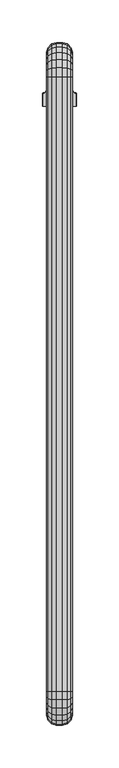
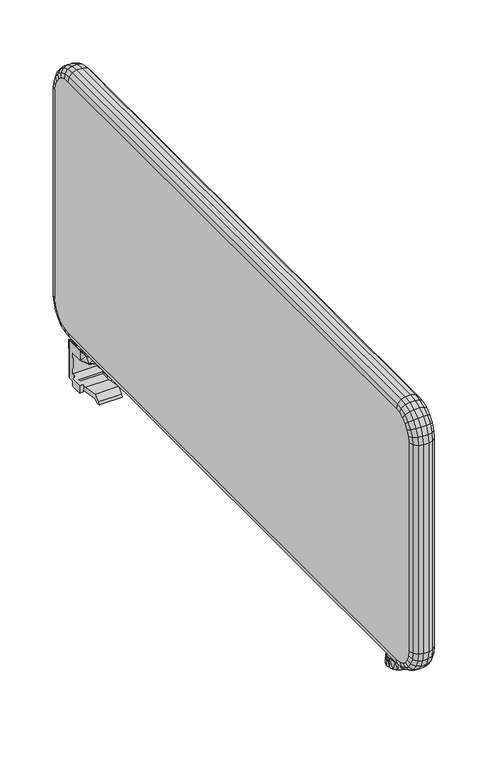
"""IFC4 building model written with IfcOpenShell, lengths in millimetres: furniture geometry."""

from ifc_helpers import new_model, si_unit, origin, place, context, project, spatial, triangles, source, transform, mapped, element, save


def furniture_2bb204e0(model_context):
    return source(origin(), model_context, "Body", "Tessellation", [
        triangles([(876.3968564, 1499.7540193, 695.7499741), (876.3968564, 1484.8499871, 695.7499741), (876.3488579, 1499.8019814, 701.2500017), (876.3488579, 1484.8020249, 701.2500017), (878.7758536, 1500.5270099, 701.2500017), (878.8238522, 1500.478975, 695.7499741), (880.5848457, 1502.3000121, 695.7499741), (880.5368472, 1502.3479743, 701.2500017), (881.2268486, 1504.7510253, 695.7499741), (881.1788501, 1504.7989875, 701.2500017), (881.2178557, 1504.7600364, 705.7500177), (880.5758528, 1502.3090232, 705.7500177), (878.8158585, 1500.4869687, 705.7500177), (876.3878453, 1499.7630303, 705.7500177), (881.3008449, 1494.8500308, 695.7499741), (911.3968458, 1494.8500308, 695.7499741), (881.3488434, 1494.8019959, 701.2500017), (911.3488472, 1494.8019959, 701.2500017), (881.3098559, 1494.8410197, 705.7500177), (881.3098559, 1484.840976, 705.7500177), (881.3488434, 1484.8020249, 701.2500017), (911.3968458, 1484.8499871, 695.7499741), (911.3488472, 1484.8020249, 701.2500017), (881.3488434, 1507.8020019, 720.7499743), (881.3488434, 1514.8020106, 720.7499743), (881.2178557, 1507.6709779, 705.7500177), (881.1788501, 1514.9719857, 701.2500017), (881.2268486, 1514.9240235, 695.7499741), (886.2268523, 1519.924009, 695.7499741), (883.7268596, 1519.2539918, 695.7499741), (886.1788538, 1519.9719712, 701.2500017), (883.6788429, 1519.3020266, 701.2500017), (881.8968477, 1517.4240163, 695.7499741), (881.8488492, 1517.4719785, 701.2500017), (906.4708565, 1519.924009, 695.7499741), (906.518855, 1519.9719712, 701.2500017), (912.1128449, 1502.3000121, 695.7499741), (913.8738566, 1500.478975, 695.7499741), (881.3008449, 1484.8499871, 695.7499741), (911.4708601, 1504.7510253, 695.7499741), (911.4708601, 1514.9240235, 695.7499741), (910.8008429, 1517.4240163, 695.7499741), (908.9708492, 1519.2539918, 695.7499741), (916.3008524, 1499.7540193, 695.7499741), (916.3008524, 1484.8499871, 695.7499741), (911.5188587, 1514.9719857, 701.2500017), (910.8488596, 1517.4719785, 701.2500017), (909.0188477, 1519.3020266, 701.2500017), (911.5188587, 1504.7989875, 701.2500017), (911.3878529, 1494.8410197, 705.7500177), (911.4798531, 1507.6709779, 705.7500177), (911.3488472, 1507.8020019, 720.7499743), (911.3488472, 1514.8020106, 720.7499743), (911.4798531, 1504.7600364, 705.7500177), (916.3488509, 1484.8020249, 701.2500017), (916.3488509, 1499.8019814, 701.2500017), (876.3878453, 1484.840976, 705.7500177), (911.3878529, 1484.840976, 705.7500177), (913.9218552, 1500.5270099, 701.2500017), (912.1608435, 1502.3479743, 701.2500017), (912.121856, 1502.3090232, 705.7500177), (916.3098453, 1484.840976, 705.7500177), (916.3098453, 1499.7630303, 705.7500177), (913.8818503, 1500.4869687, 705.7500177), (882.0188425, 1517.3020034, 720.7499743), (883.8488543, 1519.1319789, 720.7499743), (886.3488471, 1519.8019961, 720.7499743), (906.3488436, 1519.8019961, 720.7499743), (910.6788482, 1517.3020034, 720.7499743), (908.8488545, 1519.1319789, 720.7499743), (886.8028528, 1482.2560321, 732.0000143), (886.8028528, 1501.3480353, 732.0000143), (896.3488544, 1478.3019856, 732.0000143), (896.3488544, 1505.3020091, 732.0000143), (905.894856, 1482.2560321, 732.0000143), (905.894856, 1501.3480353, 732.0000143), (909.848848, 1491.8020337, 732.0000143), (882.8488427, 1491.8020337, 732.0000143), (905.894856, 1482.2560321, 733.5999893), (896.3488544, 1478.3019856, 733.5999893), (891.1828543, 1479.3299752, 733.5999893), (909.848848, 1491.8020337, 733.5999893), (908.8208584, 1496.9679975, 733.5999893), (905.894856, 1501.3480353, 733.5999893), (901.5148545, 1504.2740195, 733.5999893), (896.3488544, 1505.3020091, 733.5999893), (891.1828543, 1504.2740195, 733.5999893), (886.8028528, 1501.3480353, 733.5999893), (883.8768504, 1496.9679975, 733.5999893), (882.8488427, 1491.8020337, 733.5999893), (883.8768504, 1486.6359973, 733.5999893), (886.8028528, 1482.2560321, 733.5999893), (882.4678521, 1494.9870137, 745.0000202), (885.1938485, 1494.9870137, 742.8330013), (892.3488442, 1494.9870137, 745.0000202), (888.3978499, 1494.9870137, 741.4670237), (891.8488565, 1494.9870137, 740.9999737), (892.3488442, 1494.9870137, 740.9999737), (892.3488442, 1503.1169681, 745.0000202), (892.3488442, 1503.1169681, 740.9999737), (891.8488565, 1503.1169681, 740.9999737), (888.3978499, 1503.1169681, 741.4670237), (885.1938485, 1503.1169681, 742.8330013), (882.4678521, 1503.1169681, 745.0000202), (910.2298567, 1503.1169681, 745.0000202), (907.5038603, 1503.1169681, 742.8330013), (900.3488464, 1503.1169681, 745.0000202), (904.2998589, 1503.1169681, 741.4670237), (900.8488522, 1503.1169681, 740.9999737), (900.3488464, 1503.1169681, 740.9999737), (900.3488464, 1494.9870137, 740.9999737), (900.3488464, 1494.9870137, 745.0000202), (900.8488522, 1494.9870137, 740.9999737), (904.2998589, 1494.9870137, 741.4670237), (907.5038603, 1494.9870137, 742.8330013), (910.2298567, 1494.9870137, 745.0000202), (881.2368589, 1507.6900174, 733.5999893), (881.1228579, 1515.0280143, 746.6550064), (881.1228579, 1491.8020337, 746.6550064), (881.2368589, 1491.8020337, 733.5999893), (911.4608499, 1507.6900174, 733.5999893), (883.9748459, 1482.9740115, 743.6559889), (885.6628424, 1481.1159854, 733.5999893), (891.8488565, 1477.3080056, 740.9999737), (896.3488544, 1476.6900201, 733.5999893), (894.8288527, 1476.7020106, 740.9999737), (897.8688561, 1476.7020106, 740.9999737), (900.8488522, 1477.3080056, 740.9999737), (907.0348482, 1481.1159854, 733.5999893), (908.7228447, 1482.9740115, 743.6559889), (911.4608499, 1491.8020337, 733.5999893), (911.5748509, 1491.8020337, 746.6550064), (881.5688518, 1517.0749824, 746.0429798), (882.6638431, 1518.6059936, 744.8009771), (886.1608498, 1519.9899934, 742.3110128), (911.5748509, 1515.0280143, 746.6550064), (906.536859, 1519.9899934, 742.3110128), (910.0338476, 1518.6059936, 744.8009771), (911.128857, 1517.0749824, 746.0429798), (900.8488522, 1519.9790202, 740.9999737), (891.8488565, 1519.9790202, 740.9999737), (887.9828498, 1519.9840344, 741.5880192), (889.8938523, 1519.9799649, 741.1480024), (902.8038565, 1519.9799649, 741.1480024), (904.714859, 1519.9840344, 741.5880192), (881.8488492, 1459.6189691, 701.2689686), (881.8488492, 1487.6540311, 696.326029), (910.8488596, 1459.6189691, 701.2689686), (910.8488596, 1487.6540311, 696.326029), (881.8488492, 1455.6540221, 697.940974), (910.8488596, 1455.6540221, 697.940974), (881.8488492, 1451.5970023, 698.5250227), (910.8488596, 1451.5970023, 698.5250227), (881.8488492, 1452.1189908, 702.1540163), (910.8488596, 1452.1189908, 702.1540163), (881.8488492, 1459.1019948, 708.0130337), (910.8488596, 1459.1019948, 708.0130337), (881.8488492, 1480.4440061, 704.249964), (910.8488596, 1480.4440061, 704.249964), (881.8488492, 1493.8019843, 704.249964), (910.8488596, 1493.8019843, 704.249964), (881.8488492, 1493.8019843, 696.326029), (910.8488596, 1493.8019843, 696.326029), (894.4168502, 832.4130034, 733.1000198), (896.3488544, 832.5520029, 733.1000198), (896.3488544, 832.5520029, 731.4999722), (897.3178541, 832.5170032, 733.1000198), (898.2808586, 832.4130034, 733.1000198), (899.2348519, 832.2400034, 733.1000198), (900.1738571, 831.9990025, 733.1000198), (903.0988603, 830.7430017, 731.4999722), (904.0618465, 830.1320016, 733.1000198), (907.1628564, 827.1330023, 733.1000198), (908.0398559, 825.801997, 731.4999722), (909.1598457, 823.3100025, 733.1000198), (909.848848, 819.0520002, 731.4999722), (909.848848, 819.0520002, 733.1000198), (909.1598457, 814.7940025, 733.1000198), (908.0398559, 812.3019989, 731.4999722), (907.1628564, 810.9710028, 733.1000198), (903.0988603, 807.3609987, 731.4999722), (904.0618465, 807.9719989, 733.1000198), (900.1738571, 806.1050025, 733.1000198), (896.3488544, 805.5520021, 731.4999722), (896.3488544, 805.5520021, 733.1000198), (892.5238517, 806.1050025, 733.1000198), (889.5988485, 807.3609987, 731.4999722), (888.6358441, 807.9719989, 733.1000198), (885.5348524, 810.9710028, 733.1000198), (884.6578529, 812.3019989, 731.4999722), (883.5378449, 814.7940025, 733.1000198), (882.8488427, 819.0520002, 731.4999722), (882.8488427, 819.0520002, 733.1000198), (883.5378449, 823.3100025, 733.1000198), (884.6578529, 825.801997, 731.4999722), (885.5348524, 827.1330023, 733.1000198), (889.5988485, 830.7430017, 731.4999722), (888.6358441, 830.1320016, 733.1000198), (892.5238517, 831.9990025, 733.1000198), (892.0488443, 815.0519991, 740.5000042), (892.0488443, 823.0520014, 740.5000042), (891.9698521, 815.1310005, 745.0000202), (891.9698521, 822.973, 745.0000202), (892.0988594, 804.6669998, 740.5000042), (888.5748558, 806.2239996, 740.9869658), (892.0808555, 804.6049987, 733.1000198), (887.7078484, 806.7039985, 733.1000198), (885.6128455, 808.5769992, 742.2339827), (884.2338599, 810.061002, 733.1000198), (881.9368525, 814.8940009, 745.3930195), (881.997859, 814.3359999, 733.1000198), (881.3488434, 819.0239996, 746.1899912), (881.2348605, 819.11, 733.1000198), (881.3418489, 820.7879998, 733.7270164), (882.0258551, 823.8490003, 733.1000198), (881.9368525, 823.2099995, 745.3930195), (884.2688505, 828.0910016, 733.1000198), (885.8078554, 829.7229968, 742.124033), (887.7358445, 831.4200044, 733.1000198), (889.0018465, 832.129, 740.8739639), (892.0808555, 833.4990018, 733.1000198), (892.0988594, 833.4369961, 740.5000042), (900.5988493, 804.6669998, 740.5000042), (900.5988493, 833.4369961, 740.5000042), (897.7828512, 804.1209984, 740.5000042), (897.7828512, 833.983002, 740.5000042), (894.9148576, 833.983002, 740.5000042), (894.9148576, 804.1209984, 740.5000042), (882.2628501, 815.1310005, 745.0000202), (882.2628501, 822.973, 745.0000202), (885.0468553, 823.0160025, 742.5790197), (888.3988491, 823.0429994, 741.0379801), (888.3988491, 815.0610011, 741.0379801), (885.0468553, 815.0880025, 742.5790197), (904.122853, 831.8799963, 740.9869658), (900.6168533, 833.4990018, 733.1000198), (904.9898604, 831.400002, 733.1000198), (907.0848452, 829.5269968, 742.2339827), (908.4648481, 828.043003, 733.1000198), (910.7608562, 823.2099995, 745.3930195), (910.6998498, 823.7670013, 733.1000198), (911.3488472, 819.0800009, 746.1899912), (911.4628483, 818.9930013, 733.1000198), (911.3568591, 817.3169998, 733.7270164), (910.6718537, 814.2540009, 733.1000198), (910.7608562, 814.8940009, 745.3930195), (908.4278591, 810.0129989, 733.1000198), (906.8898534, 808.3809991, 742.124033), (904.9608469, 806.6840006, 733.1000198), (903.6968434, 805.9750005, 740.8749813), (900.6168533, 804.6049987, 733.1000198), (896.3488544, 834.1169964, 733.1000198), (894.9088442, 804.0559997, 733.1000198), (897.7888464, 804.0559997, 733.1000198), (900.6488463, 823.0520014, 740.5000042), (900.6488463, 815.0519991, 740.5000042), (904.2988597, 815.0610011, 741.0379801), (907.6508535, 815.0880025, 742.5790197), (910.4348587, 815.1310005, 745.0000202), (910.4348587, 822.973, 745.0000202), (904.2988597, 823.0429994, 741.0379801), (907.6508535, 823.0160025, 742.5790197), (900.7278567, 815.1310005, 745.0000202), (900.7278567, 822.973, 745.0000202)], [[3, 1, 2], [3, 2, 4], [3, 5, 1], [1, 5, 6], [6, 5, 7], [7, 5, 8], [7, 8, 9], [9, 8, 10], [10, 8, 11], [11, 8, 12], [12, 8, 5], [12, 5, 13], [13, 5, 14], [14, 5, 3], [15, 16, 17], [17, 16, 18], [19, 20, 17], [17, 20, 21], [16, 22, 18], [18, 22, 23], [26, 24, 25], [27, 26, 25], [10, 26, 27], [10, 11, 26], [9, 10, 28], [28, 10, 27], [29, 30, 31], [31, 30, 32], [32, 30, 33], [32, 33, 34], [34, 33, 27], [27, 33, 28], [36, 35, 29], [36, 29, 31], [16, 15, 7], [16, 7, 37], [16, 37, 38], [39, 2, 15], [1, 15, 2], [15, 1, 6], [15, 6, 7], [37, 7, 40], [40, 7, 9], [40, 9, 41], [41, 9, 35], [41, 35, 42], [42, 35, 43], [35, 9, 29], [29, 9, 28], [29, 28, 33], [33, 30, 29], [16, 38, 44], [45, 16, 44], [16, 45, 22], [41, 42, 46], [46, 42, 47], [47, 42, 43], [47, 43, 48], [48, 43, 36], [36, 43, 35], [40, 41, 49], [49, 41, 46], [19, 17, 18], [19, 18, 50], [26, 51, 24], [24, 51, 52], [53, 52, 51], [53, 51, 46], [46, 51, 49], [49, 51, 54], [55, 45, 44], [55, 44, 56], [3, 4, 14], [14, 4, 57], [50, 18, 58], [58, 18, 23], [56, 44, 59], [59, 44, 38], [59, 38, 37], [59, 37, 60], [60, 37, 40], [60, 40, 49], [19, 50, 61], [19, 61, 12], [19, 12, 13], [58, 62, 50], [63, 50, 62], [50, 63, 64], [50, 64, 61], [12, 61, 11], [11, 61, 54], [11, 54, 51], [51, 26, 11], [19, 13, 14], [57, 19, 14], [19, 57, 20], [56, 59, 63], [63, 59, 64], [64, 59, 61], [61, 59, 60], [61, 60, 54], [54, 60, 49], [55, 23, 45], [45, 23, 22], [15, 17, 39], [39, 17, 21], [21, 4, 39], [39, 4, 2], [23, 55, 58], [58, 55, 62], [4, 21, 57], [57, 21, 20], [55, 56, 62], [62, 56, 63], [25, 65, 27], [27, 65, 34], [34, 65, 66], [34, 66, 32], [32, 66, 31], [31, 66, 67], [36, 31, 68], [68, 31, 67], [53, 46, 69], [69, 46, 47], [69, 47, 48], [69, 48, 70], [70, 48, 36], [70, 36, 68], [73, 71, 72], [73, 72, 74], [73, 74, 75], [75, 74, 76], [75, 76, 77], [71, 78, 72], [75, 79, 73], [73, 79, 80], [73, 80, 81], [79, 75, 82], [82, 75, 77], [82, 77, 83], [76, 83, 77], [83, 76, 84], [84, 76, 85], [74, 85, 76], [85, 74, 86], [86, 74, 87], [72, 87, 74], [87, 72, 88], [88, 72, 89], [78, 89, 72], [89, 78, 90], [90, 78, 91], [71, 91, 78], [91, 71, 92], [92, 71, 81], [73, 81, 71], [93, 94, 95], [95, 94, 96], [95, 96, 97], [97, 98, 95], [95, 98, 99], [99, 98, 100], [100, 101, 99], [99, 101, 102], [99, 102, 103], [99, 103, 104], [105, 106, 107], [107, 106, 108], [107, 108, 109], [109, 110, 107], [111, 112, 110], [110, 112, 107], [111, 113, 112], [112, 113, 114], [112, 114, 115], [112, 115, 116], [25, 24, 117], [25, 117, 118], [118, 117, 119], [119, 117, 120], [117, 24, 52], [117, 52, 121], [119, 120, 122], [122, 120, 123], [122, 123, 124], [124, 123, 125], [124, 125, 126], [126, 125, 127], [128, 127, 125], [128, 125, 129], [128, 129, 130], [130, 129, 131], [130, 131, 132], [118, 133, 25], [25, 133, 65], [65, 133, 134], [65, 134, 66], [66, 134, 135], [66, 135, 67], [121, 52, 53], [136, 121, 53], [121, 136, 132], [132, 131, 121], [68, 137, 70], [70, 137, 138], [70, 138, 69], [69, 138, 139], [69, 139, 53], [53, 139, 136], [97, 124, 98], [98, 124, 126], [98, 126, 127], [98, 127, 111], [111, 127, 128], [111, 128, 113], [111, 110, 98], [98, 110, 100], [100, 110, 140], [100, 140, 141], [110, 109, 140], [141, 101, 100], [135, 142, 67], [67, 142, 143], [67, 143, 141], [67, 141, 140], [67, 140, 68], [68, 140, 144], [68, 144, 145], [68, 145, 137], [116, 139, 105], [105, 139, 138], [105, 138, 106], [106, 138, 137], [106, 137, 108], [108, 137, 145], [108, 145, 144], [115, 130, 116], [116, 130, 132], [139, 116, 132], [139, 132, 136], [130, 115, 114], [128, 130, 114], [128, 114, 113], [144, 140, 109], [144, 109, 108], [93, 104, 133], [119, 93, 133], [93, 119, 122], [134, 133, 104], [134, 104, 103], [135, 134, 103], [135, 103, 102], [135, 102, 142], [142, 102, 143], [143, 102, 101], [143, 101, 141], [133, 118, 119], [124, 96, 122], [122, 96, 94], [122, 94, 93], [124, 97, 96], [104, 93, 99], [99, 93, 95], [116, 105, 112], [112, 105, 107], [81, 80, 125], [125, 80, 79], [125, 79, 129], [129, 79, 82], [129, 82, 131], [131, 82, 83], [131, 83, 121], [121, 83, 84], [121, 84, 85], [121, 85, 86], [121, 86, 117], [117, 86, 87], [117, 87, 88], [117, 88, 89], [117, 89, 120], [120, 89, 90], [120, 90, 91], [120, 91, 123], [123, 91, 92], [123, 92, 81], [123, 81, 125], [146, 147, 148], [148, 147, 149], [150, 146, 151], [151, 146, 148], [152, 150, 153], [153, 150, 151], [154, 152, 155], [155, 152, 153], [156, 154, 157], [157, 154, 155], [158, 156, 159], [159, 156, 157], [160, 158, 161], [161, 158, 159], [162, 160, 163], [163, 160, 161], [147, 162, 149], [149, 162, 163], [162, 147, 160], [160, 147, 158], [146, 158, 147], [158, 146, 156], [156, 146, 154], [152, 154, 146], [152, 146, 150], [163, 161, 149], [149, 161, 159], [149, 159, 148], [148, 159, 157], [148, 157, 155], [148, 155, 153], [148, 153, 151], [164, 165, 166], [166, 165, 167], [166, 167, 168], [166, 168, 169], [166, 169, 170], [166, 170, 171], [172, 171, 170], [171, 172, 173], [171, 173, 174], [175, 174, 173], [174, 175, 176], [176, 175, 177], [176, 177, 178], [176, 178, 179], [180, 179, 178], [179, 180, 181], [181, 180, 182], [183, 181, 182], [181, 183, 184], [184, 183, 185], [184, 185, 186], [184, 186, 187], [188, 187, 186], [187, 188, 189], [187, 189, 190], [191, 190, 189], [190, 191, 192], [192, 191, 193], [192, 193, 194], [192, 194, 195], [196, 195, 194], [195, 196, 197], [197, 196, 198], [199, 197, 198], [197, 199, 166], [166, 199, 164], [166, 171, 181], [166, 181, 184], [166, 184, 197], [197, 184, 187], [197, 187, 195], [195, 187, 190], [195, 190, 192], [181, 171, 179], [179, 171, 174], [179, 174, 176], [200, 201, 202], [202, 201, 203], [206, 204, 205], [206, 205, 207], [207, 205, 208], [207, 208, 209], [209, 208, 210], [209, 210, 211], [211, 210, 212], [211, 212, 213], [213, 212, 214], [213, 214, 215], [215, 214, 216], [217, 215, 216], [217, 216, 218], [217, 218, 219], [219, 218, 220], [219, 220, 221], [221, 220, 222], [212, 216, 214], [225, 223, 224], [225, 224, 226], [225, 226, 227], [225, 227, 228], [228, 227, 222], [228, 222, 204], [229, 230, 216], [216, 230, 231], [216, 231, 218], [218, 231, 232], [220, 218, 232], [220, 232, 201], [222, 220, 201], [222, 201, 200], [222, 200, 204], [204, 200, 205], [205, 200, 233], [205, 233, 208], [208, 233, 234], [208, 234, 210], [210, 234, 229], [210, 229, 216], [216, 212, 210], [236, 224, 235], [236, 235, 237], [237, 235, 238], [237, 238, 239], [239, 238, 240], [239, 240, 241], [241, 240, 242], [241, 242, 243], [243, 242, 244], [243, 244, 245], [245, 244, 246], [247, 245, 246], [247, 246, 248], [247, 248, 249], [249, 248, 250], [249, 250, 251], [251, 250, 223], [242, 246, 244], [226, 224, 236], [226, 236, 252], [226, 252, 227], [227, 252, 221], [227, 221, 222], [228, 204, 206], [228, 206, 253], [228, 253, 254], [251, 223, 254], [254, 223, 225], [254, 225, 228], [255, 235, 224], [223, 255, 224], [255, 223, 256], [256, 223, 250], [256, 250, 257], [257, 250, 248], [257, 248, 258], [246, 258, 248], [258, 246, 259], [260, 259, 246], [240, 260, 246], [238, 260, 240], [246, 242, 240], [235, 261, 238], [238, 261, 262], [238, 262, 260], [261, 235, 255], [256, 263, 264], [256, 264, 255], [260, 262, 264], [264, 262, 261], [264, 261, 255], [201, 232, 203], [203, 232, 231], [203, 231, 230], [263, 259, 264], [264, 259, 260], [203, 230, 202], [202, 230, 229], [167, 165, 252], [252, 165, 164], [252, 164, 221], [221, 164, 199], [221, 199, 219], [219, 199, 198], [219, 198, 217], [217, 198, 196], [217, 196, 215], [215, 196, 194], [215, 194, 213], [213, 194, 193], [213, 193, 211], [211, 193, 191], [211, 191, 209], [209, 191, 189], [209, 189, 207], [207, 189, 188], [207, 188, 206], [206, 188, 186], [206, 186, 253], [185, 253, 186], [253, 185, 254], [183, 254, 185], [254, 183, 251], [251, 183, 249], [249, 183, 182], [249, 182, 247], [247, 182, 180], [247, 180, 245], [245, 180, 178], [245, 178, 243], [243, 178, 177], [243, 177, 241], [241, 177, 175], [241, 175, 239], [239, 175, 173], [239, 173, 237], [237, 173, 172], [237, 172, 236], [236, 172, 170], [236, 170, 169], [236, 169, 168], [236, 168, 252], [252, 168, 167], [256, 257, 263], [263, 257, 258], [263, 258, 259], [229, 234, 202], [202, 234, 233], [202, 233, 200]]),
        triangles([(882.8898467, 1553.3019862, 782.0000147), (887.0988558, 1557.5110316, 782.0000147), (882.8898467, 1552.134979, 773.1360209), (887.0988558, 1556.2010098, 772.0459711), (882.8898467, 1548.7130221, 764.8749699), (887.0988558, 1552.3590205, 762.7700111), (882.8898467, 1543.2699677, 757.7820162), (887.0988558, 1546.2469663, 754.8050177), (882.8898467, 1536.1770141, 752.3390345), (887.0988558, 1538.2819728, 748.6930361), (882.8898467, 1527.9169805, 748.917005), (887.0988558, 1529.0060128, 744.8509741), (882.8898467, 1519.0519692, 747.7499977), (887.0988558, 1519.0519692, 743.541025), (881.3488434, 1547.5519738, 782.0000147), (881.3488434, 1546.5810302, 774.6240114), (881.3488434, 1543.7339656, 767.7500124), (881.3488434, 1539.2050269, 761.8479744), (881.3488434, 1533.3019715, 757.3180183), (881.3488434, 1526.4279725, 754.4710264), (881.3488434, 1519.0519692, 753.5000101), (909.8078439, 1553.3019862, 782.0000147), (911.3488472, 1547.5519738, 782.0000147), (909.8078439, 1552.134979, 773.1360209), (911.3488472, 1546.5810302, 774.6240114), (909.8078439, 1548.7130221, 764.8749699), (911.3488472, 1543.7339656, 767.7500124), (909.8078439, 1543.2699677, 757.7820162), (911.3488472, 1539.2050269, 761.8479744), (909.8078439, 1536.1770141, 752.3390345), (911.3488472, 1533.3019715, 757.3180183), (909.8078439, 1527.9169805, 748.917005), (911.3488472, 1526.4279725, 754.4710264), (909.8078439, 1519.0519692, 747.7499977), (911.3488472, 1519.0519692, 753.5000101), (905.598853, 1557.5110316, 782.0000147), (905.598853, 1556.2010098, 772.0459711), (905.598853, 1552.3590205, 762.7700111), (905.598853, 1546.2469663, 754.8050177), (905.598853, 1538.2819728, 748.6930361), (905.598853, 1529.0060128, 744.8509741), (905.598853, 1519.0519692, 743.541025), (899.8488588, 1559.0519986, 782.0000147), (899.8488588, 1557.6890004, 771.6470129), (899.8488588, 1553.6930234, 762.0), (899.8488588, 1547.3359986, 753.7159853), (899.8488588, 1539.0519839, 747.3590332), (899.8488588, 1529.404971, 743.3629835), (899.8488588, 1519.0519692, 741.9999853), (892.84885, 1559.0519986, 782.0000147), (892.84885, 1557.6890004, 771.6470129), (892.84885, 1553.6930234, 762.0), (892.84885, 1547.3359986, 753.7159853), (892.84885, 1539.0519839, 747.3590332), (892.84885, 1529.404971, 743.3629835), (892.84885, 1519.0519692, 741.9999853), (882.8898467, 1553.3019862, 1060.9999907), (887.0988558, 1557.5110316, 1060.9999907), (881.3488434, 1547.5519738, 1060.9999907), (909.8078439, 1553.3019862, 1060.9999907), (911.3488472, 1547.5519738, 1060.9999907), (905.598853, 1557.5110316, 1060.9999907), (899.8488588, 1559.0519986, 1060.9999907), (892.84885, 1559.0519986, 1060.9999907), (882.8898467, 1519.0519692, 1095.2500076), (887.0988558, 1519.0519692, 1099.4589804), (882.8898467, 1527.9169805, 1094.0830004), (887.0988558, 1529.0060128, 1098.1490313), (882.8898467, 1536.1770141, 1090.6609709), (887.0988558, 1538.2819728, 1094.3069693), (882.8898467, 1543.2699677, 1085.2179892), (887.0988558, 1546.2469663, 1088.1949877), (882.8898467, 1548.7130221, 1078.1250355), (887.0988558, 1552.3590205, 1080.2299942), (882.8898467, 1552.134979, 1069.8650019), (887.0988558, 1556.2010098, 1070.9540342), (881.3488434, 1519.0519692, 1089.4999952), (881.3488434, 1526.4279725, 1088.5289789), (881.3488434, 1533.3019715, 1085.681987), (881.3488434, 1539.2050269, 1081.1529757), (881.3488434, 1543.7339656, 1075.2499929), (881.3488434, 1546.5810302, 1068.3759939), (909.8078439, 1519.0519692, 1095.2500076), (911.3488472, 1519.0519692, 1089.4999952), (909.8078439, 1527.9169805, 1094.0830004), (911.3488472, 1526.4279725, 1088.5289789), (909.8078439, 1536.1770141, 1090.6609709), (911.3488472, 1533.3019715, 1085.681987), (909.8078439, 1543.2699677, 1085.2179892), (911.3488472, 1539.2050269, 1081.1529757), (909.8078439, 1548.7130221, 1078.1250355), (911.3488472, 1543.7339656, 1075.2499929), (909.8078439, 1552.134979, 1069.8650019), (911.3488472, 1546.5810302, 1068.3759939), (905.598853, 1519.0519692, 1099.4589804), (905.598853, 1529.0060128, 1098.1490313), (905.598853, 1538.2819728, 1094.3069693), (905.598853, 1546.2469663, 1088.1949877), (905.598853, 1552.3590205, 1080.2299942), (905.598853, 1556.2010098, 1070.9540342), (899.8488588, 1519.0519692, 1101.00002), (899.8488588, 1529.404971, 1099.6370218), (899.8488588, 1539.0519839, 1095.6409721), (899.8488588, 1547.3359986, 1089.28402), (899.8488588, 1553.6930234, 1081.0000053), (899.8488588, 1557.6890004, 1071.3529924), (892.84885, 1519.0519692, 1101.00002), (892.84885, 1529.404971, 1099.6370218), (892.84885, 1539.0519839, 1095.6409721), (892.84885, 1547.3359986, 1089.28402), (892.84885, 1553.6930234, 1081.0000053), (892.84885, 1557.6890004, 1071.3529924), (882.8898467, 799.0519992, 1095.2500076), (887.0988558, 799.0519992, 1099.4589804), (881.3488434, 799.0519992, 1089.4999952), (909.8078439, 799.0519992, 1095.2500076), (911.3488472, 799.0519992, 1089.4999952), (905.598853, 799.0519992, 1099.4589804), (899.8488588, 799.0519992, 1101.00002), (892.84885, 799.0519992, 1101.00002), (882.8898467, 764.8020004, 1060.9999907), (887.0988558, 760.5930004, 1060.9999907), (882.8898467, 765.9690008, 1069.8650019), (887.0988558, 761.9030006, 1070.9540342), (882.8898467, 769.3910008, 1078.1250355), (887.0988558, 765.7450001, 1080.2299942), (882.8898467, 774.8340007, 1085.2179892), (887.0988558, 771.8569999, 1088.1949877), (882.8898467, 781.9269998, 1090.6609709), (887.0988558, 779.8220002, 1094.3069693), (882.8898467, 790.1870016, 1094.0830004), (887.0988558, 789.098001, 1098.1490313), (881.3488434, 770.5520014, 1060.9999907), (881.3488434, 771.5229995, 1068.3759939), (881.3488434, 774.3700006, 1075.2499929), (881.3488434, 778.8990005, 1081.1529757), (881.3488434, 784.8020014, 1085.681987), (881.3488434, 791.6760004, 1088.5289789), (909.8078439, 764.8020004, 1060.9999907), (911.3488472, 770.5520014, 1060.9999907), (909.8078439, 765.9690008, 1069.8650019), (911.3488472, 771.5229995, 1068.3759939), (909.8078439, 769.3910008, 1078.1250355), (911.3488472, 774.3700006, 1075.2499929), (909.8078439, 774.8340007, 1085.2179892), (911.3488472, 778.8990005, 1081.1529757), (909.8078439, 781.9269998, 1090.6609709), (911.3488472, 784.8020014, 1085.681987), (909.8078439, 790.1870016, 1094.0830004), (911.3488472, 791.6760004, 1088.5289789), (905.598853, 760.5930004, 1060.9999907), (905.598853, 761.9030006, 1070.9540342), (905.598853, 765.7450001, 1080.2299942), (905.598853, 771.8569999, 1088.1949877), (905.598853, 779.8220002, 1094.3069693), (905.598853, 789.098001, 1098.1490313), (899.8488588, 759.0520005, 1060.9999907), (899.8488588, 760.4150009, 1071.3529924), (899.8488588, 764.4110007, 1081.0000053), (899.8488588, 770.7680016, 1089.28402), (899.8488588, 779.0520004, 1095.6409721), (899.8488588, 788.6990019, 1099.6370218), (892.84885, 759.0520005, 1060.9999907), (892.84885, 760.4150009, 1071.3529924), (892.84885, 764.4110007, 1081.0000053), (892.84885, 770.7680016, 1089.28402), (892.84885, 779.0520004, 1095.6409721), (892.84885, 788.6990019, 1099.6370218), (882.8898467, 764.8020004, 782.0000147), (887.0988558, 760.5930004, 782.0000147), (881.3488434, 770.5520014, 782.0000147), (909.8078439, 764.8020004, 782.0000147), (911.3488472, 770.5520014, 782.0000147), (905.598853, 760.5930004, 782.0000147), (899.8488588, 759.0520005, 782.0000147), (892.84885, 759.0520005, 782.0000147), (882.8898467, 799.0519992, 747.7499977), (887.0988558, 799.0519992, 743.541025), (882.8898467, 790.1870016, 748.917005), (887.0988558, 789.098001, 744.8509741), (882.8898467, 781.9269998, 752.3390345), (887.0988558, 779.8220002, 748.6930361), (882.8898467, 774.8340007, 757.7820162), (887.0988558, 771.8569999, 754.8050177), (882.8898467, 769.3910008, 764.8749699), (887.0988558, 765.7450001, 762.7700111), (882.8898467, 765.9690008, 773.1360209), (887.0988558, 761.9030006, 772.0459711), (881.3488434, 799.0519992, 753.5000101), (881.3488434, 791.6760004, 754.4710264), (881.3488434, 784.8020014, 757.3180183), (881.3488434, 778.8990005, 761.8479744), (881.3488434, 774.3700006, 767.7500124), (881.3488434, 771.5229995, 774.6240114), (909.8078439, 799.0519992, 747.7499977), (911.3488472, 799.0519992, 753.5000101), (909.8078439, 790.1870016, 748.917005), (911.3488472, 791.6760004, 754.4710264), (909.8078439, 781.9269998, 752.3390345), (911.3488472, 784.8020014, 757.3180183), (909.8078439, 774.8340007, 757.7820162), (911.3488472, 778.8990005, 761.8479744), (909.8078439, 769.3910008, 764.8749699), (911.3488472, 774.3700006, 767.7500124), (909.8078439, 765.9690008, 773.1360209), (911.3488472, 771.5229995, 774.6240114), (905.598853, 799.0519992, 743.541025), (905.598853, 789.098001, 744.8509741), (905.598853, 779.8220002, 748.6930361), (905.598853, 771.8569999, 754.8050177), (905.598853, 765.7450001, 762.7700111), (905.598853, 761.9030006, 772.0459711), (899.8488588, 799.0519992, 741.9999853), (899.8488588, 788.6990019, 743.3629835), (899.8488588, 779.0520004, 747.3590332), (899.8488588, 770.7680016, 753.7159853), (899.8488588, 764.4110007, 762.0), (899.8488588, 760.4150009, 771.6470129), (892.84885, 799.0519992, 741.9999853), (892.84885, 788.6990019, 743.3629835), (892.84885, 779.0520004, 747.3590332), (892.84885, 770.7680016, 753.7159853), (892.84885, 764.4110007, 762.0), (892.84885, 760.4150009, 771.6470129)], [[3, 1, 2], [3, 2, 4], [5, 3, 4], [5, 4, 6], [7, 5, 6], [7, 6, 8], [9, 7, 8], [9, 8, 10], [11, 9, 10], [11, 10, 12], [13, 11, 12], [13, 12, 14], [16, 15, 1], [16, 1, 3], [17, 16, 3], [17, 3, 5], [18, 17, 5], [18, 5, 7], [19, 18, 7], [19, 7, 9], [20, 19, 9], [20, 9, 11], [21, 20, 11], [21, 11, 13], [22, 23, 24], [24, 23, 25], [24, 25, 26], [26, 25, 27], [26, 27, 28], [28, 27, 29], [28, 29, 30], [30, 29, 31], [30, 31, 32], [32, 31, 33], [32, 33, 34], [34, 33, 35], [36, 22, 37], [37, 22, 24], [37, 24, 38], [38, 24, 26], [38, 26, 39], [39, 26, 28], [39, 28, 40], [40, 28, 30], [40, 30, 41], [41, 30, 32], [41, 32, 42], [42, 32, 34], [43, 36, 44], [44, 36, 37], [44, 37, 45], [45, 37, 38], [45, 38, 46], [46, 38, 39], [46, 39, 47], [47, 39, 40], [47, 40, 48], [48, 40, 41], [48, 41, 49], [49, 41, 42], [50, 43, 51], [51, 43, 44], [51, 44, 52], [52, 44, 45], [52, 45, 53], [53, 45, 46], [53, 46, 54], [54, 46, 47], [54, 47, 55], [55, 47, 48], [55, 48, 56], [56, 48, 49], [4, 2, 50], [4, 50, 51], [6, 4, 51], [6, 51, 52], [8, 6, 52], [8, 52, 53], [10, 8, 53], [10, 53, 54], [12, 10, 54], [12, 54, 55], [14, 12, 55], [14, 55, 56], [57, 58, 1], [1, 58, 2], [59, 57, 15], [15, 57, 1], [60, 61, 22], [22, 61, 23], [62, 60, 36], [36, 60, 22], [63, 62, 43], [43, 62, 36], [64, 63, 50], [50, 63, 43], [58, 64, 2], [2, 64, 50], [67, 65, 66], [67, 66, 68], [69, 67, 68], [69, 68, 70], [71, 69, 70], [71, 70, 72], [73, 71, 72], [73, 72, 74], [75, 73, 74], [75, 74, 76], [57, 75, 76], [57, 76, 58], [78, 77, 65], [78, 65, 67], [79, 78, 67], [79, 67, 69], [80, 79, 69], [80, 69, 71], [81, 80, 71], [81, 71, 73], [82, 81, 73], [82, 73, 75], [59, 82, 75], [59, 75, 57], [83, 84, 85], [85, 84, 86], [85, 86, 87], [87, 86, 88], [87, 88, 89], [89, 88, 90], [89, 90, 91], [91, 90, 92], [91, 92, 93], [93, 92, 94], [93, 94, 60], [60, 94, 61], [95, 83, 96], [96, 83, 85], [96, 85, 97], [97, 85, 87], [97, 87, 98], [98, 87, 89], [98, 89, 99], [99, 89, 91], [99, 91, 100], [100, 91, 93], [100, 93, 62], [62, 93, 60], [101, 95, 102], [102, 95, 96], [102, 96, 103], [103, 96, 97], [103, 97, 104], [104, 97, 98], [104, 98, 105], [105, 98, 99], [105, 99, 106], [106, 99, 100], [106, 100, 63], [63, 100, 62], [107, 101, 108], [108, 101, 102], [108, 102, 109], [109, 102, 103], [109, 103, 110], [110, 103, 104], [110, 104, 111], [111, 104, 105], [111, 105, 112], [112, 105, 106], [112, 106, 64], [64, 106, 63], [68, 66, 107], [68, 107, 108], [70, 68, 108], [70, 108, 109], [72, 70, 109], [72, 109, 110], [74, 72, 110], [74, 110, 111], [76, 74, 111], [76, 111, 112], [58, 76, 112], [58, 112, 64], [113, 114, 65], [65, 114, 66], [115, 113, 77], [77, 113, 65], [116, 117, 83], [83, 117, 84], [118, 116, 95], [95, 116, 83], [119, 118, 101], [101, 118, 95], [120, 119, 107], [107, 119, 101], [114, 120, 66], [66, 120, 107], [123, 121, 122], [123, 122, 124], [125, 123, 124], [125, 124, 126], [127, 125, 126], [127, 126, 128], [129, 127, 128], [129, 128, 130], [131, 129, 130], [131, 130, 132], [113, 131, 132], [113, 132, 114], [134, 133, 121], [134, 121, 123], [135, 134, 123], [135, 123, 125], [136, 135, 125], [136, 125, 127], [137, 136, 127], [137, 127, 129], [138, 137, 129], [138, 129, 131], [115, 138, 131], [115, 131, 113], [139, 140, 141], [141, 140, 142], [141, 142, 143], [143, 142, 144], [143, 144, 145], [145, 144, 146], [145, 146, 147], [147, 146, 148], [147, 148, 149], [149, 148, 150], [149, 150, 116], [116, 150, 117], [151, 139, 152], [152, 139, 141], [152, 141, 153], [153, 141, 143], [153, 143, 154], [154, 143, 145], [154, 145, 155], [155, 145, 147], [155, 147, 156], [156, 147, 149], [156, 149, 118], [118, 149, 116], [157, 151, 158], [158, 151, 152], [158, 152, 159], [159, 152, 153], [159, 153, 160], [160, 153, 154], [160, 154, 161], [161, 154, 155], [161, 155, 162], [162, 155, 156], [162, 156, 119], [119, 156, 118], [163, 157, 164], [164, 157, 158], [164, 158, 165], [165, 158, 159], [165, 159, 166], [166, 159, 160], [166, 160, 167], [167, 160, 161], [167, 161, 168], [168, 161, 162], [168, 162, 120], [120, 162, 119], [124, 122, 163], [124, 163, 164], [126, 124, 164], [126, 164, 165], [128, 126, 165], [128, 165, 166], [130, 128, 166], [130, 166, 167], [132, 130, 167], [132, 167, 168], [114, 132, 168], [114, 168, 120], [169, 170, 121], [121, 170, 122], [171, 169, 133], [133, 169, 121], [172, 173, 139], [139, 173, 140], [174, 172, 151], [151, 172, 139], [175, 174, 157], [157, 174, 151], [176, 175, 163], [163, 175, 157], [170, 176, 122], [122, 176, 163], [179, 177, 178], [179, 178, 180], [181, 179, 180], [181, 180, 182], [183, 181, 182], [183, 182, 184], [185, 183, 184], [185, 184, 186], [187, 185, 186], [187, 186, 188], [169, 187, 188], [169, 188, 170], [190, 189, 177], [190, 177, 179], [191, 190, 179], [191, 179, 181], [192, 191, 181], [192, 181, 183], [193, 192, 183], [193, 183, 185], [194, 193, 185], [194, 185, 187], [171, 194, 187], [171, 187, 169], [195, 196, 197], [197, 196, 198], [197, 198, 199], [199, 198, 200], [199, 200, 201], [201, 200, 202], [201, 202, 203], [203, 202, 204], [203, 204, 205], [205, 204, 206], [205, 206, 172], [172, 206, 173], [207, 195, 208], [208, 195, 197], [208, 197, 209], [209, 197, 199], [209, 199, 210], [210, 199, 201], [210, 201, 211], [211, 201, 203], [211, 203, 212], [212, 203, 205], [212, 205, 174], [174, 205, 172], [213, 207, 214], [214, 207, 208], [214, 208, 215], [215, 208, 209], [215, 209, 216], [216, 209, 210], [216, 210, 217], [217, 210, 211], [217, 211, 218], [218, 211, 212], [218, 212, 175], [175, 212, 174], [219, 213, 220], [220, 213, 214], [220, 214, 221], [221, 214, 215], [221, 215, 222], [222, 215, 216], [222, 216, 223], [223, 216, 217], [223, 217, 224], [224, 217, 218], [224, 218, 176], [176, 218, 175], [180, 178, 219], [180, 219, 220], [182, 180, 220], [182, 220, 221], [184, 182, 221], [184, 221, 222], [186, 184, 222], [186, 222, 223], [188, 186, 223], [188, 223, 224], [170, 188, 224], [170, 224, 176], [13, 14, 177], [177, 14, 178], [21, 13, 189], [189, 13, 177], [189, 115, 21], [21, 115, 77], [21, 77, 15], [15, 77, 59], [59, 77, 82], [82, 77, 81], [81, 77, 78], [81, 78, 79], [189, 190, 171], [189, 171, 133], [189, 133, 115], [115, 133, 138], [138, 133, 137], [137, 133, 136], [136, 133, 135], [135, 133, 134], [190, 191, 171], [171, 191, 192], [171, 192, 193], [193, 194, 171], [79, 80, 81], [15, 16, 21], [21, 16, 20], [20, 16, 19], [19, 16, 18], [18, 16, 17], [35, 33, 27], [35, 27, 25], [35, 25, 23], [33, 31, 27], [27, 31, 29], [35, 23, 61], [35, 61, 84], [35, 84, 196], [196, 84, 117], [196, 117, 173], [173, 117, 140], [140, 117, 150], [140, 150, 148], [61, 94, 84], [84, 94, 86], [86, 94, 88], [88, 94, 90], [90, 94, 92], [148, 146, 140], [140, 146, 144], [140, 144, 142], [173, 206, 204], [173, 204, 202], [173, 202, 200], [173, 200, 198], [173, 198, 196], [34, 35, 195], [195, 35, 196], [42, 34, 207], [207, 34, 195], [49, 42, 213], [213, 42, 207], [56, 49, 219], [219, 49, 213], [14, 56, 178], [178, 56, 219]]),
    ])


if __name__ == "__main__":
    model = new_model("IFC4")
    model_context = context("Model", 3, world=origin())
    ifc_project = project(units=[si_unit("LENGTHUNIT", "METRE", prefix="MILLI")], contexts=[model_context])
    site = spatial("IfcSite", under=ifc_project)
    building = spatial("IfcBuilding", under=site)
    placement = place(None, origin())
    furniture_shape = furniture_2bb204e0(model_context)
    element("IfcFurniture", 1, at=placement, inside=building, context=model_context, shape_type="MappedRepresentation", body=[
        mapped(furniture_shape, transform((0.0, 0.0, 0.0), x_axis=(1.0, 0.0, 0.0), y_axis=(0.0, 1.0, 0.0), z_axis=(0.0, 0.0, 1.0))),
    ])
    save(model, "model.ifc")
